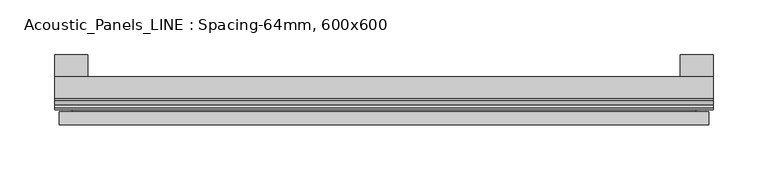
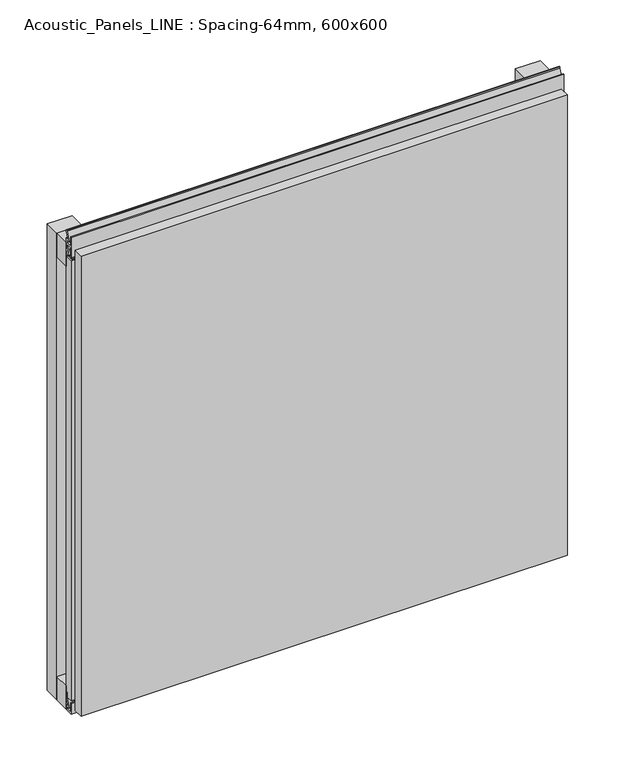
"""IFC4 building model written with IfcOpenShell, lengths in millimetres: plate geometry, Acoustic_Panels_LINE : Spacing-64mm, 600x600."""

from ifc_helpers import new_model, si_unit, frame, origin, origin_with_axes, place, context, project, spatial, polyline, outline, extrude, faceted_brep, source, transform, mapped, element, save


def acoustic_panels_line_spacing_64mm_600x600_28776037(model_context):
    return source(origin(), model_context, "Body", "SolidModel", [
        extrude(outline(polyline([(-300.0, -40.0), (-300.0, -20.0), (300.0, -20.0), (300.0, -40.0), (-300.0, -40.0)])), frame((0.0, 0.0, 570.0), z_axis=(0.0, 0.0, 1.0), x_axis=(1.0, 0.0, 0.0)), (0.0, 0.0, 1.0), 30.0),
        extrude(outline(polyline([(-300.0, -40.0), (-300.0, -20.0), (300.0, -20.0), (300.0, -40.0), (-300.0, -40.0)])), origin_with_axes(), (0.0, 0.0, 1.0), 30.0),
        extrude(outline(polyline([(270.0, 0.0), (300.0, 0.0), (300.0, -20.0), (270.0, -20.0), (270.0, 0.0)])), origin_with_axes(), (0.0, 0.0, 1.0), 600.0),
        extrude(outline(polyline([(-270.0, 0.0), (-270.0, -20.0), (-300.0, -20.0), (-300.0, 0.0), (-270.0, 0.0)])), origin_with_axes(), (0.0, 0.0, 1.0), 600.0),
        extrude(outline(polyline([(-40.0, 6.299084), (-40.0, 0.0), (-50.1, 0.0), (-50.1, 13.4156807), (-48.7, 13.4156807), (-48.7, 1.4156807), (-41.4, 1.4156807), (-41.4, 4.899084), (-45.5140545, 4.899084), (-41.4553267, 15.5703394), (-41.4553267, 22.991548), (-40.0553267, 22.991548), (-40.0553267, 15.3558599), (-43.5, 6.299084), (-40.0, 6.299084)])), frame((-300.0, 0.0, 0.0), z_axis=(1.0, 0.0, 0.0), x_axis=(0.0, 1.0, 0.0)), (0.0, 0.0, 1.0), 600.0),
        extrude(outline(polyline([(-293.700916, -40.0), (-293.700916, -43.5), (-284.6441401, -40.0553267), (-277.008452, -40.0553267), (-277.008452, -41.4553267), (-284.4296606, -41.4553267), (-295.100916, -45.5140545), (-295.100916, -41.4), (-298.5843193, -41.4), (-298.5843193, -48.7), (-286.5843193, -48.7), (-286.5843193, -50.1), (-300.0, -50.1), (-300.0, -40.0), (-293.700916, -40.0)])), frame((0.0, 0.0, 16.9558599), z_axis=(0.0, 0.0, 1.0), x_axis=(1.0, 0.0, 0.0)), (0.0, 0.0, 1.0), 566.0882802),
        extrude(outline(polyline([(293.700916, -40.0), (300.0, -40.0), (300.0, -50.1), (286.5843193, -50.1), (286.5843193, -48.7), (298.5843193, -48.7), (298.5843193, -41.4), (295.100916, -41.4), (295.100916, -45.5140545), (284.4296606, -41.4553267), (277.008452, -41.4553267), (277.008452, -40.0553267), (284.6441401, -40.0553267), (293.700916, -43.5), (293.700916, -40.0)])), frame((0.0, 0.0, 16.9558599), z_axis=(0.0, 0.0, 1.0), x_axis=(1.0, 0.0, 0.0)), (0.0, 0.0, 1.0), 566.0882802),
        extrude(outline(polyline([(-48.7, 600.899084), (-41.4, 600.899084), (-41.4, 604.899084), (-45.5140545, 604.899084), (-41.4553267, 615.5703394), (-41.4553267, 616.9558599), (-40.0553267, 616.9558599), (-40.0553267, 615.3558599), (-43.5, 606.299084), (-40.0, 606.299084), (-40.0, 593.700916), (-43.5, 593.700916), (-40.0553267, 584.6441401), (-40.0553267, 583.0441401), (-41.4553267, 583.0441401), (-41.4553267, 584.4296606), (-45.5140545, 595.100916), (-41.4, 595.100916), (-41.4, 599.100916), (-48.7, 599.100916), (-48.7, 587.100916), (-50.1, 587.100916), (-50.1, 612.899084), (-48.7, 612.899084), (-48.7, 600.899084)])), frame((-300.0, 0.0, 0.0), z_axis=(1.0, 0.0, 0.0), x_axis=(0.0, 1.0, 0.0)), (0.0, 0.0, 1.0), 600.0),
        faceted_brep([(296.0, -45.9, 596.0), (-296.0, -45.9, 596.0), (-296.0, -48.7, 596.0), (296.0, -48.7, 596.0), (-296.0, -63.9, 596.0), (296.0, -63.9, 596.0), (296.0, -51.9, 596.0), (-296.0, -51.9, 596.0), (-296.0, -45.9, 4.0), (296.0, -45.9, 4.0), (296.0, -48.7, 4.0), (-296.0, -48.7, 4.0), (296.0, -63.9, 4.0), (-296.0, -63.9, 4.0), (-296.0, -51.9, 4.0), (296.0, -51.9, 4.0), (284.0, -51.9, 584.0), (284.0, -51.9, 16.0), (284.0, -48.7, 16.0), (284.0, -48.7, 584.0), (-284.0, -51.9, 16.0), (-284.0, -48.7, 16.0), (-284.0, -51.9, 584.0), (-284.0, -48.7, 584.0)], [[[0, 1, 2, 3]], [[4, 5, 6, 7]], [[8, 9, 10, 11]], [[12, 13, 14, 15]], [[1, 0, 9, 8]], [[1, 8, 11, 2]], [[13, 4, 7, 14]], [[5, 4, 13, 12]], [[9, 0, 3, 10]], [[5, 12, 15, 6]], [[16, 17, 18, 19]], [[18, 17, 20, 21]], [[21, 20, 22, 23]], [[16, 19, 23, 22]], [[7, 6, 15, 14], [17, 16, 22, 20]], [[3, 2, 11, 10], [19, 18, 21, 23]]]),
    ])


if __name__ == "__main__":
    model = new_model("IFC4")
    model_context = context("Model", 3, world=origin())
    ifc_project = project(units=[si_unit("LENGTHUNIT", "METRE", prefix="MILLI")], contexts=[model_context])
    site = spatial("IfcSite", under=ifc_project)
    building = spatial("IfcBuilding", under=site)
    placement = place(None, origin())
    acoustic_panels_line_spacing_64mm_600x600_shape = acoustic_panels_line_spacing_64mm_600x600_28776037(model_context)
    element("IfcPlate", 1, ObjectType="Acoustic_Panels_LINE : Spacing-64mm, 600x600", at=placement, inside=building, context=model_context, shape_type="MappedRepresentation", body=[
        mapped(acoustic_panels_line_spacing_64mm_600x600_shape, transform((0.0, 0.0, 0.0), x_axis=(1.0, 0.0, 0.0), y_axis=(0.0, 1.0, 0.0), z_axis=(0.0, 0.0, 1.0))),
    ])
    save(model, "model.ifc")
